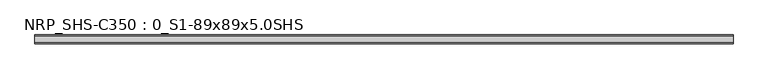
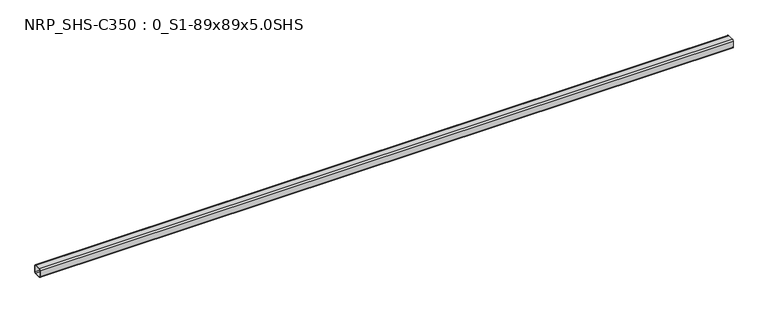
"""IFC4 building model written with IfcOpenShell, lengths in millimetres: beam geometry, NRP_SHS-C350 : 0_S1-89x89x5.0SHS."""

import ifcopenshell
import ifcopenshell.guid

model = None  # the IFC model being written
_history = None  # IfcOwnerHistory: only IFC2X3 demands one
_inside = {}  # id of a spatial element -> (the spatial element, [elements in it])
_under = {}  # id of a project, library or spatial element -> (it, [spatial elements below it])
_declared = {}  # id of a project -> (the project, [libraries it declares])
_typed = {}  # id of a type object -> (the type object, [elements of that type])
_made_of = {}  # id of a material, layer set ... -> (it, [elements and type objects made of it])


def new_model(schema):
    """Start an empty IFC model of exactly this schema.

    Asked for "IFC4X3", IfcOpenShell would pick the latest addendum, in which some entities
    have other attributes; the version numbers below select the first issue.
    IFC2X3 requires an IfcOwnerHistory on every rooted entity: one is made here for all.
    """
    global model, _history
    if schema == "IFC4X3":
        model = ifcopenshell.file(schema_version=(4, 3, 0, 0))
    else:
        model = ifcopenshell.file(schema=schema)
    _inside.clear()
    _under.clear()
    _declared.clear()
    _typed.clear()
    _made_of.clear()
    _history = None
    if model.schema == "IFC2X3":
        org = make("IfcOrganization", Name="unknown")
        user = make(
            "IfcPersonAndOrganization",
            ThePerson=make("IfcPerson", FamilyName="unknown"),
            TheOrganization=org,
        )
        app = make(
            "IfcApplication",
            ApplicationDeveloper=org,
            Version="unknown",
            ApplicationFullName="unknown",
            ApplicationIdentifier="unknown",
        )
        _history = make(
            "IfcOwnerHistory",
            OwningUser=user,
            OwningApplication=app,
            ChangeAction="ADDED",
            CreationDate=0,
        )
    return model


def make(cls, **values):
    """One entity of the class cls with the attributes given. An attribute that is None is left unset."""
    return model.create_entity(
        cls, **{name: value for name, value in values.items() if value is not None}
    )


def rooted(cls, **values):
    """An entity with a GlobalId (a new one), such as an element, a storey or a relation."""
    return make(cls, GlobalId=ifcopenshell.guid.new(), OwnerHistory=_history, **values)


def si_unit(unit_type, name, prefix=None):
    """IfcSIUnit, for example si_unit("LENGTHUNIT", "METRE", prefix="MILLI")."""
    return make("IfcSIUnit", UnitType=unit_type, Prefix=prefix, Name=name)


def assignment(units):
    """IfcUnitAssignment: the units of a project."""
    return None if units is None else make("IfcUnitAssignment", Units=units)


def point(xyz):
    """IfcCartesianPoint."""
    return None if xyz is None else make("IfcCartesianPoint", Coordinates=xyz)


def direction(xyz):
    """IfcDirection."""
    return None if xyz is None else make("IfcDirection", DirectionRatios=xyz)


def frame(location, z_axis=None, x_axis=None):
    """IfcAxis2Placement3D, a coordinate frame: its origin and axes. An axis left out is left unset."""
    return make(
        "IfcAxis2Placement3D",
        Location=point(location),
        Axis=direction(z_axis),
        RefDirection=direction(x_axis),
    )


def frame_2d(location, x_axis=None):
    """IfcAxis2Placement2D, a coordinate frame in the plane: its origin and x axis."""
    return make(
        "IfcAxis2Placement2D", Location=point(location), RefDirection=direction(x_axis)
    )


def origin():
    """The frame at (0, 0, 0) with its axes left unset."""
    return frame((0.0, 0.0, 0.0))


def place(relative_to, where):
    """IfcLocalPlacement: puts the frame where relative to a parent placement (None: the world)."""
    return make(
        "IfcLocalPlacement", PlacementRelTo=relative_to, RelativePlacement=where
    )


def context(
    kind, dimensions, precision=None, world=None, true_north=None, identifier=None
):
    """IfcGeometricRepresentationContext, for example the 3D "Model" context."""
    return make(
        "IfcGeometricRepresentationContext",
        ContextIdentifier=identifier,
        ContextType=kind,
        CoordinateSpaceDimension=dimensions,
        Precision=precision,
        WorldCoordinateSystem=world,
        TrueNorth=true_north,
    )


def project(units=None, contexts=None):
    """IfcProject with its units and contexts."""
    return rooted(
        "IfcProject",
        Name="project",
        RepresentationContexts=contexts,
        UnitsInContext=assignment(units),
    )


def spatial(cls, under=None, at=None, **own):
    """A site, building, storey or space (cls), placed at a placement, below another one or the project."""
    s = rooted(cls, ObjectPlacement=at, **own)
    if under is not None:
        _under.setdefault(under.id(), (under, []))[1].append(s)
    return s


def polyline(points):
    """IfcPolyline through the points."""
    return make("IfcPolyline", Points=[point(p) for p in points])


def circle_curve(where, radius):
    """IfcCircle in the frame where."""
    return make("IfcCircle", Position=where, Radius=radius)


def trimmed(basis, trim1, trim2, sense, master):
    """IfcTrimmedCurve: the piece of a basis curve between two trims."""
    return make(
        "IfcTrimmedCurve",
        BasisCurve=basis,
        Trim1=trim1,
        Trim2=trim2,
        SenseAgreement=sense,
        MasterRepresentation=master,
    )


def segment(curve, same_sense, transition):
    """IfcCompositeCurveSegment."""
    return make(
        "IfcCompositeCurveSegment",
        Transition=transition,
        SameSense=same_sense,
        ParentCurve=curve,
    )


def composite_curve(segments, self_intersect=None):
    """IfcCompositeCurve: segments joined end to end."""
    return make("IfcCompositeCurve", Segments=segments, SelfIntersect=self_intersect)


def outline(outer, holes=None, kind="AREA"):
    """IfcArbitraryClosedProfileDef: a profile drawn as a closed curve; with holes, ...WithVoids."""
    if holes is None:
        return make("IfcArbitraryClosedProfileDef", ProfileType=kind, OuterCurve=outer)
    return make(
        "IfcArbitraryProfileDefWithVoids",
        ProfileType=kind,
        OuterCurve=outer,
        InnerCurves=holes,
    )


def extrude(swept, where, along, depth):
    """IfcExtrudedAreaSolid: the profile swept, set in the frame where, extruded along a direction by depth."""
    return make(
        "IfcExtrudedAreaSolid",
        SweptArea=swept,
        Position=where,
        ExtrudedDirection=direction(along),
        Depth=depth,
    )


def shape(context_of_items, identifier, shape_type, items):
    """IfcShapeRepresentation: the items that make up one representation, for example the "Body"."""
    return make(
        "IfcShapeRepresentation",
        ContextOfItems=context_of_items,
        RepresentationIdentifier=identifier,
        RepresentationType=shape_type,
        Items=items,
    )


def source(mapping_origin, context_of_items, identifier, shape_type, items):
    """IfcRepresentationMap: a shape defined once, which mapped items show again and again."""
    return make(
        "IfcRepresentationMap",
        MappingOrigin=mapping_origin,
        MappedRepresentation=shape(context_of_items, identifier, shape_type, items),
    )


def transform(
    local_origin,
    x_axis=None,
    y_axis=None,
    z_axis=None,
    scale=None,
    scale2=None,
    scale3=None,
    uniform=True,
):
    """IfcCartesianTransformationOperator3D, or its non-uniform kind. x_axis, y_axis, z_axis: its Axis1, 2, 3."""
    if uniform:
        return make(
            "IfcCartesianTransformationOperator3D",
            Axis1=direction(x_axis),
            Axis2=direction(y_axis),
            LocalOrigin=point(local_origin),
            Scale=scale,
            Axis3=direction(z_axis),
        )
    return make(
        "IfcCartesianTransformationOperator3DnonUniform",
        Axis1=direction(x_axis),
        Axis2=direction(y_axis),
        LocalOrigin=point(local_origin),
        Scale=scale,
        Axis3=direction(z_axis),
        Scale2=scale2,
        Scale3=scale3,
    )


def mapped(mapping_source, mapping_target):
    """IfcMappedItem: shows the shape of a source again, moved by a transform."""
    return make(
        "IfcMappedItem", MappingSource=mapping_source, MappingTarget=mapping_target
    )


def made_of(thing, what):
    """Note that an element or type object is made of a material, layer set ...; save() writes the relation."""
    if what is not None:
        _made_of.setdefault(what.id(), (what, []))[1].append(thing)
    return thing


def element(
    cls,
    number,
    at=None,
    inside=None,
    cuts=None,
    type_object=None,
    material=None,
    context=None,
    identifier="Body",
    shape_type=None,
    held_by="IfcProductDefinitionShape",
    body=None,
    shapes=None,
    **own,
):
    """One element of the class cls, such as IfcWall. Its Tag is "e" and its number.

    at: its placement. inside: the storey or other place that contains it. cuts: it is an
    opening in that element (IfcRelVoidsElement). A single representation is given by context,
    identifier, shape_type and body (its items); several are given by shapes. held_by: the class
    of the entity that holds the representations. save() writes the other relations.
    """
    e = rooted(cls, Tag="e%d" % number, ObjectPlacement=at, **own)
    if body is not None:
        shapes = [shape(context, identifier, shape_type, body)]
    if shapes is not None:
        e.Representation = make(held_by, Representations=shapes)
    if inside is not None:
        _inside.setdefault(inside.id(), (inside, []))[1].append(e)
    if cuts is not None:
        rooted(
            "IfcRelVoidsElement", RelatingBuildingElement=cuts, RelatedOpeningElement=e
        )
    if type_object is not None:
        _typed.setdefault(type_object.id(), (type_object, []))[1].append(e)
    return made_of(e, material)


def aggregate(whole, parts):
    """IfcRelAggregates: a whole, such as a stair, and the parts it consists of."""
    return rooted("IfcRelAggregates", RelatingObject=whole, RelatedObjects=parts)


def save(model, path):
    """Write the relations noted so far, then the file.

    IfcRelAggregates (storeys below a building ...), IfcRelContainedInSpatialStructure (elements
    in a storey), IfcRelDefinesByType, IfcRelAssociatesMaterial and IfcRelDeclares: one each for
    every whole, place, type object, material and project.
    """
    for whole, parts in _under.values():
        aggregate(whole, parts)
    for where, things in _inside.values():
        rooted(
            "IfcRelContainedInSpatialStructure",
            RelatedElements=things,
            RelatingStructure=where,
        )
    for kind, things in _typed.values():
        rooted("IfcRelDefinesByType", RelatedObjects=things, RelatingType=kind)
    for what, things in _made_of.values():
        rooted("IfcRelAssociatesMaterial", RelatedObjects=things, RelatingMaterial=what)
    for by, libraries in _declared.values():
        rooted("IfcRelDeclares", RelatingContext=by, RelatedDefinitions=libraries)
    model.write(path)


def nrp_shs_c350_0_s1_89x89x5_0shs_47576015(model_context):
    return source(origin(), model_context, "Body", "SweptSolid", [
        extrude(outline(composite_curve([segment(trimmed(circle_curve(frame_2d((-32.0, 32.0)), 12.5), [point((-44.5, 32.0))], [point((-32.0, 44.5))], False, "CARTESIAN"), True, "CONTINUOUS"), segment(polyline([(-32.0, 44.5), (32.0, 44.5)]), True, "CONTINUOUS"), segment(trimmed(circle_curve(frame_2d((32.0, 32.0)), 12.5), [point((32.0, 44.5))], [point((44.5, 32.0))], False, "CARTESIAN"), True, "CONTINUOUS"), segment(polyline([(44.5, 32.0), (44.5, -32.0)]), True, "CONTINUOUS"), segment(trimmed(circle_curve(frame_2d((32.0, -32.0)), 12.5), [point((44.5, -32.0))], [point((32.0, -44.5))], False, "CARTESIAN"), True, "CONTINUOUS"), segment(polyline([(32.0, -44.5), (-32.0, -44.5)]), True, "CONTINUOUS"), segment(trimmed(circle_curve(frame_2d((-32.0, -32.0)), 12.5), [point((-32.0, -44.5))], [point((-44.5, -32.0))], False, "CARTESIAN"), True, "CONTINUOUS"), segment(polyline([(-44.5, -32.0), (-44.5, 32.0)]), True, "CONTINUOUS")], self_intersect=False), holes=[composite_curve([segment(polyline([(32.0, 39.5), (-32.0, 39.5)]), True, "CONTINUOUS"), segment(trimmed(circle_curve(frame_2d((-32.0, 32.0)), 7.5), [point((-32.0, 39.5))], [point((-39.5, 32.0))], True, "CARTESIAN"), True, "CONTINUOUS"), segment(polyline([(-39.5, 32.0), (-39.5, -32.0)]), True, "CONTINUOUS"), segment(trimmed(circle_curve(frame_2d((-32.0, -32.0)), 7.5), [point((-39.5, -32.0))], [point((-32.0, -39.5))], True, "CARTESIAN"), True, "CONTINUOUS"), segment(polyline([(-32.0, -39.5), (32.0, -39.5)]), True, "CONTINUOUS"), segment(trimmed(circle_curve(frame_2d((32.0, -32.0)), 7.5), [point((32.0, -39.5))], [point((39.5, -32.0))], True, "CARTESIAN"), True, "CONTINUOUS"), segment(polyline([(39.5, -32.0), (39.5, 32.0)]), True, "CONTINUOUS"), segment(trimmed(circle_curve(frame_2d((32.0, 32.0)), 7.5), [point((39.5, 32.0))], [point((32.0, 39.5))], True, "CARTESIAN"), True, "CONTINUOUS")], self_intersect=False)]), frame((-3464.5, 0.0, 0.0), z_axis=(1.0, 0.0, 0.0), x_axis=(0.0, 1.0, 0.0)), (0.0, 0.0, 1.0), 6912.0),
    ])


if __name__ == "__main__":
    model = new_model("IFC4")
    model_context = context("Model", 3, world=origin())
    ifc_project = project(units=[si_unit("LENGTHUNIT", "METRE", prefix="MILLI")], contexts=[model_context])
    site = spatial("IfcSite", under=ifc_project)
    building = spatial("IfcBuilding", under=site)
    placement = place(None, origin())
    nrp_shs_c350_0_s1_89x89x5_0shs_shape = nrp_shs_c350_0_s1_89x89x5_0shs_47576015(model_context)
    element("IfcBeam", 1, ObjectType="NRP_SHS-C350 : 0_S1-89x89x5.0SHS", at=placement, inside=building, context=model_context, shape_type="MappedRepresentation", body=[
        mapped(nrp_shs_c350_0_s1_89x89x5_0shs_shape, transform((0.0, 0.0, 0.0), x_axis=(1.0, 0.0, 0.0), y_axis=(0.0, 1.0, 0.0), z_axis=(0.0, 0.0, 1.0))),
    ])
    save(model, "model.ifc")
